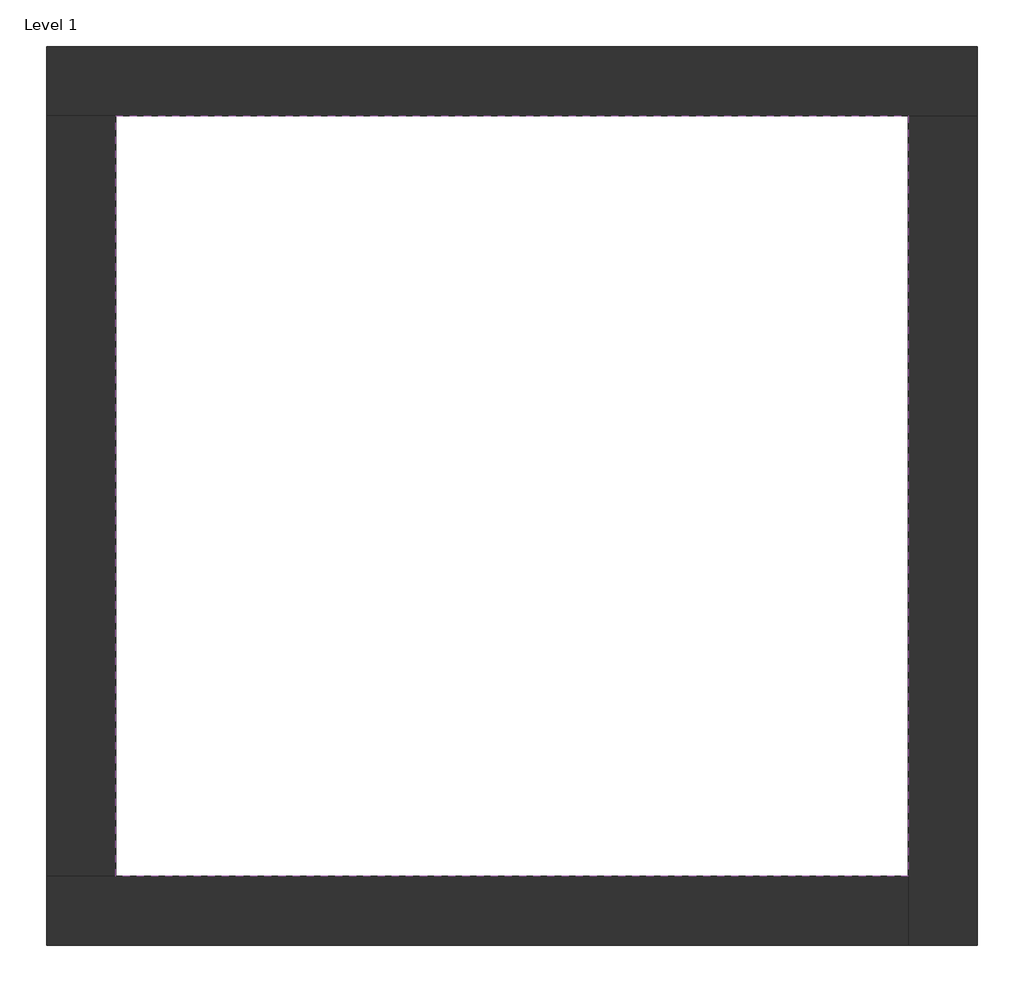
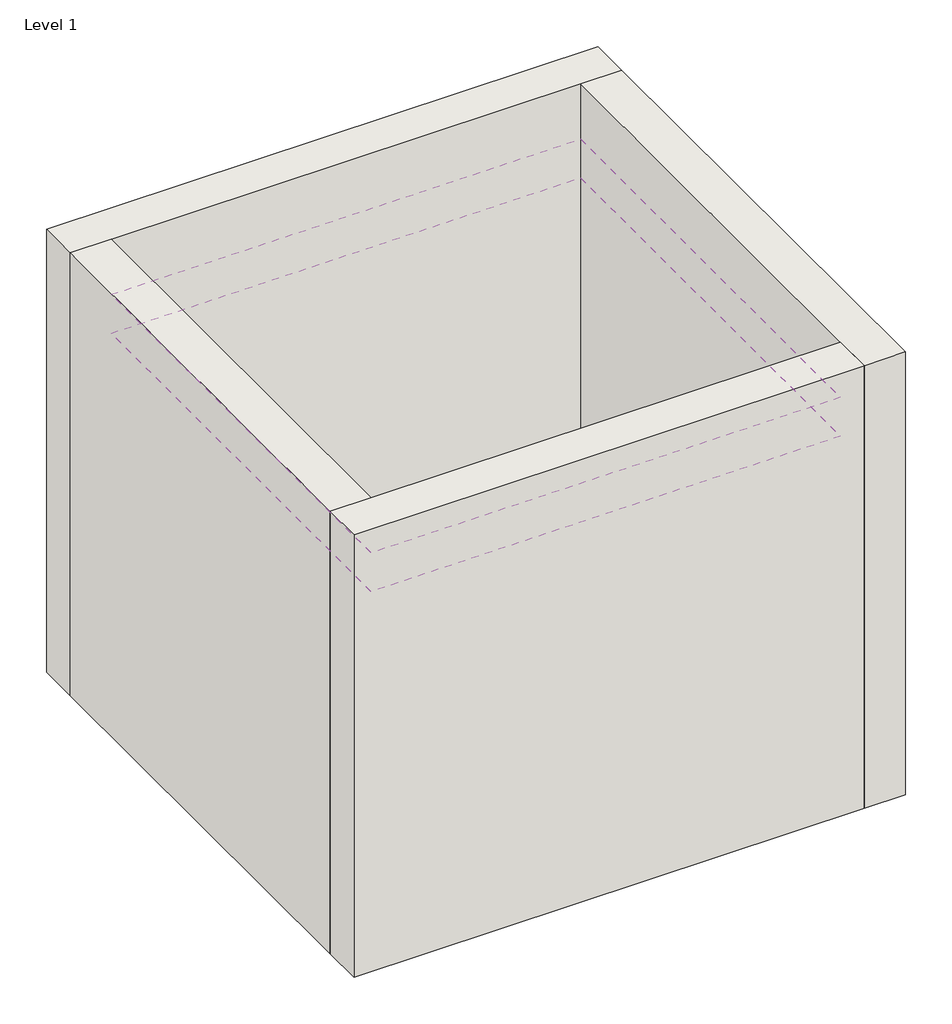
# One storey: 4 walls, 2 coverings.
"""IFC4 building model written with IfcOpenShell, lengths in millimetres."""

from ifc_helpers import new_model, si_unit, frame, origin, origin_with_axes, place, context, project, spatial, polyline, outline, extrude, faceted_brep, element, save

model = new_model("IFC4")

# Units and contexts
model_context = context("Model", 3, world=origin())
ifc_project = project(units=[si_unit("LENGTHUNIT", "METRE", prefix="MILLI")], contexts=[model_context])

# Site, building, storey
site = spatial("IfcSite", under=ifc_project)
building = spatial("IfcBuilding", under=site)
storey = spatial("IfcBuildingStorey", under=building, Name="Level 1", Elevation=0.0)

# Coverings
placement = place(None, origin())
element("IfcCovering", 1, at=placement, inside=storey, context=model_context, shape_type="SweptSolid", body=[
    extrude(outline(polyline([(-14894.8573003, 6921.2750283), (-10882.3573003, 6921.2750283), (-10882.3573003, 3071.2750283), (-14894.8573003, 3071.2750283), (-14894.8573003, 6921.2750283)])), frame((0.0, 0.0, 3500.0), z_axis=(0.0, 0.0, 1.0), x_axis=(1.0, 0.0, 0.0)), (0.0, 0.0, 1.0), 224.0),
])
element("IfcCovering", 2, at=placement, inside=storey, context=model_context, shape_type="SweptSolid", body=[
    extrude(outline(polyline([(-14894.8573003, 6921.2750283), (-10882.3573003, 6921.2750283), (-10882.3573003, 3071.2750283), (-14894.8573003, 3071.2750283), (-14894.8573003, 6921.2750283)])), frame((0.0, 0.0, 3150.0), z_axis=(0.0, 0.0, 1.0), x_axis=(1.0, 0.0, 0.0)), (0.0, 0.0, 1.0), 224.0),
])

# Walls
element("IfcWall", 3, ObjectType="Exterior - Brick on Mtl. Stud", at=placement, inside=storey, context=model_context, shape_type="Brep", body=[
    faceted_brep([(-15244.8573003, 6921.2750283, 0.0), (-14894.8573003, 6921.2750283, 0.0), (-10882.3573003, 6921.2750283, 0.0), (-10532.3573003, 6921.2750283, 0.0), (-10532.3573003, 6921.2750283, 4000.0), (-10882.3573003, 6921.2750283, 4000.0), (-14894.8573003, 6921.2750283, 4000.0), (-15244.8573003, 6921.2750283, 4000.0), (-15244.8573003, 7271.2750283, 0.0), (-15244.8573003, 7271.2750283, 4000.0), (-10532.3573003, 7271.2750283, 4000.0), (-10532.3573003, 7271.2750283, 0.0)], [[[0, 1, 2, 3, 4, 5, 6, 7]], [[8, 9, 10, 11]], [[3, 2, 1, 0, 8, 11]], [[7, 6, 5, 4, 10, 9]], [[0, 7, 9, 8]], [[4, 3, 11, 10]]]),
])
element("IfcWall", 4, ObjectType="Exterior - Brick on Mtl. Stud", at=placement, inside=storey, context=model_context, shape_type="Brep", body=[
    faceted_brep([(-10882.3573003, 6921.2750283, 0.0), (-10882.3573003, 3071.2750283, 0.0), (-10882.3573003, 2721.2750283, 0.0), (-10882.3573003, 2721.2750283, 4000.0), (-10882.3573003, 3071.2750283, 4000.0), (-10882.3573003, 6921.2750283, 4000.0), (-10532.3573003, 6921.2750283, 0.0), (-10532.3573003, 6921.2750283, 4000.0), (-10532.3573003, 2721.2750283, 4000.0), (-10532.3573003, 2721.2750283, 0.0)], [[[0, 1, 2, 3, 4, 5]], [[6, 7, 8, 9]], [[2, 1, 0, 6, 9]], [[5, 4, 3, 8, 7]], [[3, 2, 9, 8]], [[0, 5, 7, 6]]]),
])
element("IfcWall", 5, ObjectType="Exterior - Brick on Mtl. Stud", at=placement, inside=storey, context=model_context, shape_type="Brep", body=[
    faceted_brep([(-10882.3573003, 3071.2750283, 0.0), (-14894.8573003, 3071.2750283, 0.0), (-15244.8573003, 3071.2750283, 0.0), (-15244.8573003, 3071.2750283, 4000.0), (-14894.8573003, 3071.2750283, 4000.0), (-10882.3573003, 3071.2750283, 4000.0), (-10882.3573003, 2721.2750283, 0.0), (-10882.3573003, 2721.2750283, 4000.0), (-15244.8573003, 2721.2750283, 4000.0), (-15244.8573003, 2721.2750283, 0.0)], [[[0, 1, 2, 3, 4, 5]], [[6, 7, 8, 9]], [[2, 1, 0, 6, 9]], [[5, 4, 3, 8, 7]], [[3, 2, 9, 8]], [[0, 5, 7, 6]]]),
])
element("IfcWall", 6, ObjectType="Exterior - Brick on Mtl. Stud", at=placement, inside=storey, context=model_context, shape_type="SweptSolid", body=[
    extrude(outline(polyline([(-14894.8573003, 6921.2750283), (-14894.8573003, 3071.2750283), (-15244.8573003, 3071.2750283), (-15244.8573003, 6921.2750283), (-14894.8573003, 6921.2750283)])), origin_with_axes(), (0.0, 0.0, 1.0), 4000.0),
])

save(model, "model.ifc")
